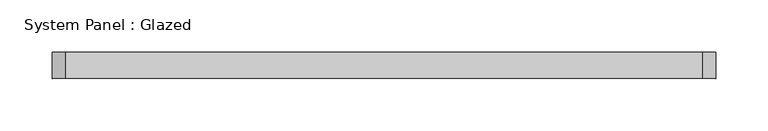
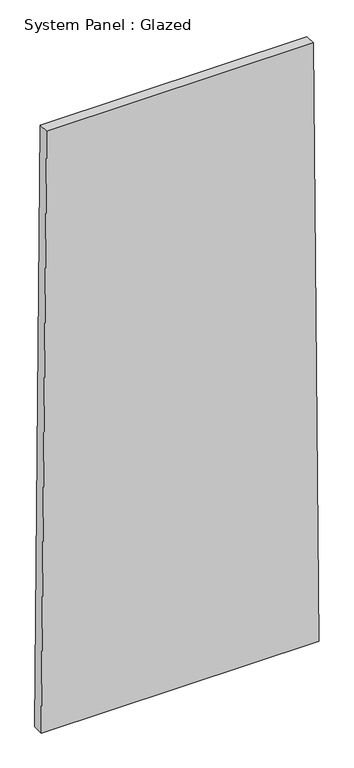
"""IFC4 building model written with IfcOpenShell, lengths in millimetres: plate geometry, System Panel : Glazed."""

from ifc_helpers import new_model, si_unit, frame, origin, place, context, project, spatial, polyline, outline, extrude, source, transform, mapped, element, save


def system_panel_glazed_39371bd1(model_context):
    return source(origin(), model_context, "Body", "SweptSolid", [
        extrude(outline(polyline([(0.0, -317.6686907), (0.0, 317.6686907), (1449.945614, 305.3143389), (1449.9456472, -305.3140667), (0.0, -317.6686907)])), frame((0.0, -49.5, 0.0), z_axis=(0.0, 1.0, 0.0), x_axis=(0.0, 0.0, 1.0)), (0.0, 0.0, 1.0), 25.0),
    ])


if __name__ == "__main__":
    model = new_model("IFC4")
    model_context = context("Model", 3, world=origin())
    ifc_project = project(units=[si_unit("LENGTHUNIT", "METRE", prefix="MILLI")], contexts=[model_context])
    site = spatial("IfcSite", under=ifc_project)
    building = spatial("IfcBuilding", under=site)
    placement = place(None, origin())
    system_panel_glazed_shape = system_panel_glazed_39371bd1(model_context)
    element("IfcPlate", 1, ObjectType="System Panel : Glazed", at=placement, inside=building, context=model_context, shape_type="MappedRepresentation", body=[
        mapped(system_panel_glazed_shape, transform((0.0, 0.0, 0.0), x_axis=(1.0, 0.0, 0.0), y_axis=(0.0, 1.0, 0.0), z_axis=(0.0, 0.0, 1.0))),
    ])
    save(model, "model.ifc")
